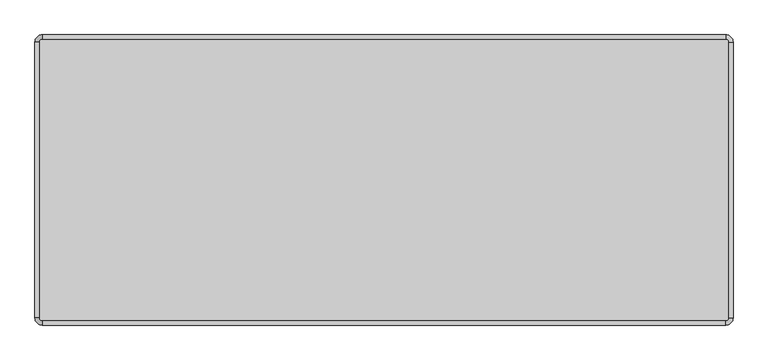
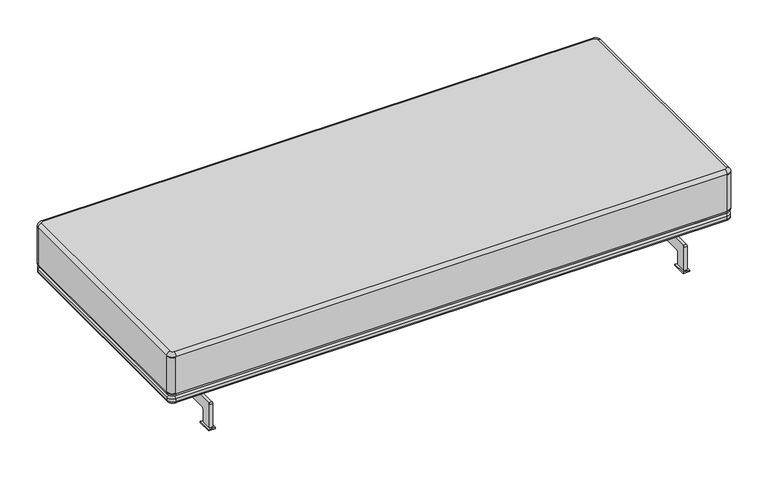
"""IFC4 building model written with IfcOpenShell, lengths in millimetres: furniture geometry."""

import ifcopenshell
import ifcopenshell.guid

model = None  # the IFC model being written
_history = None  # IfcOwnerHistory: only IFC2X3 demands one
_inside = {}  # id of a spatial element -> (the spatial element, [elements in it])
_under = {}  # id of a project, library or spatial element -> (it, [spatial elements below it])
_declared = {}  # id of a project -> (the project, [libraries it declares])
_typed = {}  # id of a type object -> (the type object, [elements of that type])
_made_of = {}  # id of a material, layer set ... -> (it, [elements and type objects made of it])


def new_model(schema):
    """Start an empty IFC model of exactly this schema.

    Asked for "IFC4X3", IfcOpenShell would pick the latest addendum, in which some entities
    have other attributes; the version numbers below select the first issue.
    IFC2X3 requires an IfcOwnerHistory on every rooted entity: one is made here for all.
    """
    global model, _history
    if schema == "IFC4X3":
        model = ifcopenshell.file(schema_version=(4, 3, 0, 0))
    else:
        model = ifcopenshell.file(schema=schema)
    _inside.clear()
    _under.clear()
    _declared.clear()
    _typed.clear()
    _made_of.clear()
    _history = None
    if model.schema == "IFC2X3":
        org = make("IfcOrganization", Name="unknown")
        user = make(
            "IfcPersonAndOrganization",
            ThePerson=make("IfcPerson", FamilyName="unknown"),
            TheOrganization=org,
        )
        app = make(
            "IfcApplication",
            ApplicationDeveloper=org,
            Version="unknown",
            ApplicationFullName="unknown",
            ApplicationIdentifier="unknown",
        )
        _history = make(
            "IfcOwnerHistory",
            OwningUser=user,
            OwningApplication=app,
            ChangeAction="ADDED",
            CreationDate=0,
        )
    return model


def make(cls, **values):
    """One entity of the class cls with the attributes given. An attribute that is None is left unset."""
    return model.create_entity(
        cls, **{name: value for name, value in values.items() if value is not None}
    )


def rooted(cls, **values):
    """An entity with a GlobalId (a new one), such as an element, a storey or a relation."""
    return make(cls, GlobalId=ifcopenshell.guid.new(), OwnerHistory=_history, **values)


def si_unit(unit_type, name, prefix=None):
    """IfcSIUnit, for example si_unit("LENGTHUNIT", "METRE", prefix="MILLI")."""
    return make("IfcSIUnit", UnitType=unit_type, Prefix=prefix, Name=name)


def assignment(units):
    """IfcUnitAssignment: the units of a project."""
    return None if units is None else make("IfcUnitAssignment", Units=units)


def point(xyz):
    """IfcCartesianPoint."""
    return None if xyz is None else make("IfcCartesianPoint", Coordinates=xyz)


def direction(xyz):
    """IfcDirection."""
    return None if xyz is None else make("IfcDirection", DirectionRatios=xyz)


def frame(location, z_axis=None, x_axis=None):
    """IfcAxis2Placement3D, a coordinate frame: its origin and axes. An axis left out is left unset."""
    return make(
        "IfcAxis2Placement3D",
        Location=point(location),
        Axis=direction(z_axis),
        RefDirection=direction(x_axis),
    )


def frame_2d(location, x_axis=None):
    """IfcAxis2Placement2D, a coordinate frame in the plane: its origin and x axis."""
    return make(
        "IfcAxis2Placement2D", Location=point(location), RefDirection=direction(x_axis)
    )


def origin():
    """The frame at (0, 0, 0) with its axes left unset."""
    return frame((0.0, 0.0, 0.0))


def origin_with_axes():
    """The frame at (0, 0, 0) with the z axis (0, 0, 1) and the x axis (1, 0, 0) written out."""
    return frame((0.0, 0.0, 0.0), z_axis=(0.0, 0.0, 1.0), x_axis=(1.0, 0.0, 0.0))


def place(relative_to, where):
    """IfcLocalPlacement: puts the frame where relative to a parent placement (None: the world)."""
    return make(
        "IfcLocalPlacement", PlacementRelTo=relative_to, RelativePlacement=where
    )


def context(
    kind, dimensions, precision=None, world=None, true_north=None, identifier=None
):
    """IfcGeometricRepresentationContext, for example the 3D "Model" context."""
    return make(
        "IfcGeometricRepresentationContext",
        ContextIdentifier=identifier,
        ContextType=kind,
        CoordinateSpaceDimension=dimensions,
        Precision=precision,
        WorldCoordinateSystem=world,
        TrueNorth=true_north,
    )


def project(units=None, contexts=None):
    """IfcProject with its units and contexts."""
    return rooted(
        "IfcProject",
        Name="project",
        RepresentationContexts=contexts,
        UnitsInContext=assignment(units),
    )


def spatial(cls, under=None, at=None, **own):
    """A site, building, storey or space (cls), placed at a placement, below another one or the project."""
    s = rooted(cls, ObjectPlacement=at, **own)
    if under is not None:
        _under.setdefault(under.id(), (under, []))[1].append(s)
    return s


def polyline(points):
    """IfcPolyline through the points."""
    return make("IfcPolyline", Points=[point(p) for p in points])


def circle_curve(where, radius):
    """IfcCircle in the frame where."""
    return make("IfcCircle", Position=where, Radius=radius)


def ellipse_curve(where, semi_axis1, semi_axis2):
    """IfcEllipse in the frame where."""
    return make(
        "IfcEllipse", Position=where, SemiAxis1=semi_axis1, SemiAxis2=semi_axis2
    )


def trimmed(basis, trim1, trim2, sense, master):
    """IfcTrimmedCurve: the piece of a basis curve between two trims."""
    return make(
        "IfcTrimmedCurve",
        BasisCurve=basis,
        Trim1=trim1,
        Trim2=trim2,
        SenseAgreement=sense,
        MasterRepresentation=master,
    )


def segment(curve, same_sense, transition):
    """IfcCompositeCurveSegment."""
    return make(
        "IfcCompositeCurveSegment",
        Transition=transition,
        SameSense=same_sense,
        ParentCurve=curve,
    )


def composite_curve(segments, self_intersect=None):
    """IfcCompositeCurve: segments joined end to end."""
    return make("IfcCompositeCurve", Segments=segments, SelfIntersect=self_intersect)


def outline(outer, holes=None, kind="AREA"):
    """IfcArbitraryClosedProfileDef: a profile drawn as a closed curve; with holes, ...WithVoids."""
    if holes is None:
        return make("IfcArbitraryClosedProfileDef", ProfileType=kind, OuterCurve=outer)
    return make(
        "IfcArbitraryProfileDefWithVoids",
        ProfileType=kind,
        OuterCurve=outer,
        InnerCurves=holes,
    )


def extrude(swept, where, along, depth):
    """IfcExtrudedAreaSolid: the profile swept, set in the frame where, extruded along a direction by depth."""
    return make(
        "IfcExtrudedAreaSolid",
        SweptArea=swept,
        Position=where,
        ExtrudedDirection=direction(along),
        Depth=depth,
    )


def shape(context_of_items, identifier, shape_type, items):
    """IfcShapeRepresentation: the items that make up one representation, for example the "Body"."""
    return make(
        "IfcShapeRepresentation",
        ContextOfItems=context_of_items,
        RepresentationIdentifier=identifier,
        RepresentationType=shape_type,
        Items=items,
    )


def source(mapping_origin, context_of_items, identifier, shape_type, items):
    """IfcRepresentationMap: a shape defined once, which mapped items show again and again."""
    return make(
        "IfcRepresentationMap",
        MappingOrigin=mapping_origin,
        MappedRepresentation=shape(context_of_items, identifier, shape_type, items),
    )


def transform(
    local_origin,
    x_axis=None,
    y_axis=None,
    z_axis=None,
    scale=None,
    scale2=None,
    scale3=None,
    uniform=True,
):
    """IfcCartesianTransformationOperator3D, or its non-uniform kind. x_axis, y_axis, z_axis: its Axis1, 2, 3."""
    if uniform:
        return make(
            "IfcCartesianTransformationOperator3D",
            Axis1=direction(x_axis),
            Axis2=direction(y_axis),
            LocalOrigin=point(local_origin),
            Scale=scale,
            Axis3=direction(z_axis),
        )
    return make(
        "IfcCartesianTransformationOperator3DnonUniform",
        Axis1=direction(x_axis),
        Axis2=direction(y_axis),
        LocalOrigin=point(local_origin),
        Scale=scale,
        Axis3=direction(z_axis),
        Scale2=scale2,
        Scale3=scale3,
    )


def mapped(mapping_source, mapping_target):
    """IfcMappedItem: shows the shape of a source again, moved by a transform."""
    return make(
        "IfcMappedItem", MappingSource=mapping_source, MappingTarget=mapping_target
    )


def made_of(thing, what):
    """Note that an element or type object is made of a material, layer set ...; save() writes the relation."""
    if what is not None:
        _made_of.setdefault(what.id(), (what, []))[1].append(thing)
    return thing


def element(
    cls,
    number,
    at=None,
    inside=None,
    cuts=None,
    type_object=None,
    material=None,
    context=None,
    identifier="Body",
    shape_type=None,
    held_by="IfcProductDefinitionShape",
    body=None,
    shapes=None,
    **own,
):
    """One element of the class cls, such as IfcWall. Its Tag is "e" and its number.

    at: its placement. inside: the storey or other place that contains it. cuts: it is an
    opening in that element (IfcRelVoidsElement). A single representation is given by context,
    identifier, shape_type and body (its items); several are given by shapes. held_by: the class
    of the entity that holds the representations. save() writes the other relations.
    """
    e = rooted(cls, Tag="e%d" % number, ObjectPlacement=at, **own)
    if body is not None:
        shapes = [shape(context, identifier, shape_type, body)]
    if shapes is not None:
        e.Representation = make(held_by, Representations=shapes)
    if inside is not None:
        _inside.setdefault(inside.id(), (inside, []))[1].append(e)
    if cuts is not None:
        rooted(
            "IfcRelVoidsElement", RelatingBuildingElement=cuts, RelatedOpeningElement=e
        )
    if type_object is not None:
        _typed.setdefault(type_object.id(), (type_object, []))[1].append(e)
    return made_of(e, material)


def aggregate(whole, parts):
    """IfcRelAggregates: a whole, such as a stair, and the parts it consists of."""
    return rooted("IfcRelAggregates", RelatingObject=whole, RelatedObjects=parts)


def save(model, path):
    """Write the relations noted so far, then the file.

    IfcRelAggregates (storeys below a building ...), IfcRelContainedInSpatialStructure (elements
    in a storey), IfcRelDefinesByType, IfcRelAssociatesMaterial and IfcRelDeclares: one each for
    every whole, place, type object, material and project.
    """
    for whole, parts in _under.values():
        aggregate(whole, parts)
    for where, things in _inside.values():
        rooted(
            "IfcRelContainedInSpatialStructure",
            RelatedElements=things,
            RelatingStructure=where,
        )
    for kind, things in _typed.values():
        rooted("IfcRelDefinesByType", RelatedObjects=things, RelatingType=kind)
    for what, things in _made_of.values():
        rooted("IfcRelAssociatesMaterial", RelatedObjects=things, RelatingMaterial=what)
    for by, libraries in _declared.values():
        rooted("IfcRelDeclares", RelatingContext=by, RelatedDefinitions=libraries)
    model.write(path)


def plane_surface(at):
    """IfcPlane: the flat surface through the origin of the frame at, square to its z axis."""
    return make("IfcPlane", Position=at)


def cylinder_surface(at, radius):
    """IfcCylindricalSurface: all points at the distance radius from the z axis of the frame at."""
    return make("IfcCylindricalSurface", Position=at, Radius=radius)


def revolved_surface(curve, axis_point, axis_direction):
    """IfcSurfaceOfRevolution: the curve turned about the line through axis_point along axis_direction."""
    return make(
        "IfcSurfaceOfRevolution",
        SweptCurve=make("IfcArbitraryOpenProfileDef", ProfileType="CURVE", Curve=curve),
        AxisPosition=make("IfcAxis1Placement", Location=point(axis_point), Axis=direction(axis_direction)),
    )


def advanced_brep(points, edges, surfaces, faces):
    """IfcAdvancedBrep: a solid bounded by faces that lie on surfaces and meet in shared edges.

    An edge is (start, end): straight between two places in points (the first is 0);
    or (start, end, curve); or (start, end, curve, False) where it runs against its curve.
    A face is (place in surfaces, loops), or (place, loops, False) where it looks against
    its surface's normal. A loop lists edges by number (the first is 1), with a minus sign
    where the edge is run from its end to its start. The first loop is the outer one.
    """
    corners = [point(p) for p in points]
    vertices = [make("IfcVertexPoint", VertexGeometry=c) for c in corners]
    made = []
    for start, end, *more in edges:
        made.append(
            make(
                "IfcEdgeCurve",
                EdgeStart=vertices[start],
                EdgeEnd=vertices[end],
                EdgeGeometry=more[0] if more else make("IfcPolyline", Points=[corners[start], corners[end]]),
                SameSense=more[1] if len(more) > 1 else True,
            )
        )
    hull = []
    for where, loops, *sense in faces:
        bounds = []
        for j, loop in enumerate(loops):
            ring = [make("IfcOrientedEdge", EdgeElement=made[abs(k) - 1], Orientation=k > 0) for k in loop]
            bounds.append(
                make(
                    "IfcFaceOuterBound" if j == 0 else "IfcFaceBound",
                    Bound=make("IfcEdgeLoop", EdgeList=ring),
                    Orientation=True,
                )
            )
        hull.append(make("IfcAdvancedFace", Bounds=bounds, FaceSurface=surfaces[where], SameSense=sense[0] if sense else True))
    return make("IfcAdvancedBrep", Outer=make("IfcClosedShell", CfsFaces=hull))


def furniture_a5a1587f(model_context):
    return source(origin(), model_context, "Body", "SolidModel", [
        advanced_brep(
        [(-1025.5715823, -407.4580796, 166.3040803), (-1018.0715823, -407.4580796, 158.8040803), (-1006.5715823, -418.9580796, 158.8040803), (-1006.5715823, -426.4580796, 166.3040803), (-1006.5715823, -426.4580796, 177.5), (-1025.5715823, -407.4580796, 177.5), (-1006.5715823, -418.9580796, 185.0), (-1018.0715823, -407.4580796, 185.0), (-1025.5715823, 406.5966271, 166.3040803), (-1018.0715823, 406.5966271, 158.8040803), (-1025.5715823, 406.5966271, 177.5), (-1018.0715823, 406.5966271, 185.0), (-1006.5715823, 425.5966271, 166.3040803), (-1006.5715823, 418.0966271, 158.8040803), (-1006.5715823, 425.5966271, 177.5), (-1006.5715823, 418.0966271, 185.0), (1005.4284177, 425.5966271, 166.3040803), (1005.4284177, 418.0966271, 158.8040803), (1005.4284177, 425.5966271, 177.5), (1005.4284177, 418.0966271, 185.0), (1024.4284177, 406.5966271, 166.3040803), (1016.9284177, 406.5966271, 158.8040803), (1024.4284177, 406.5966271, 177.5), (1016.9284177, 406.5966271, 185.0), (1024.4284177, -407.4580796, 166.3040803), (1016.9284177, -407.4580796, 158.8040803), (1024.4284177, -407.4580796, 177.5), (1016.9284177, -407.4580796, 185.0), (1005.4284177, -426.4580796, 166.3040803), (1005.4284177, -418.9580796, 158.8040803), (1005.4284177, -426.4580796, 177.5), (1005.4284177, -418.9580796, 185.0)],
        [
            (0, 1, circle_curve(frame((-1018.0715823, -407.4580796, 166.3040803), z_axis=(0.0, -1.0, 0.0), x_axis=(1.0, 0.0, 0.0)), 7.5)),
            (1, 2, circle_curve(frame((-1006.5715823, -407.4580796, 158.8040803), z_axis=(0.0, 0.0, 1.0), x_axis=(0.0, -1.0, 0.0)), 11.5)),
            (2, 3, circle_curve(frame((-1006.5715823, -418.9580796, 166.3040803), z_axis=(-1.0, 0.0, 0.0), x_axis=(0.0, 1.0, 0.0)), 7.5)),
            (3, 0, circle_curve(frame((-1006.5715823, -407.4580796, 166.3040803), z_axis=(0.0, 0.0, -1.0), x_axis=(0.0, -1.0, 0.0)), 19.0)),
            (3, 4),
            (4, 5, circle_curve(frame((-1006.5715823, -407.4580796, 177.5), z_axis=(0.0, 0.0, -1.0), x_axis=(0.0, -1.0, 0.0)), 19.0)),
            (5, 0),
            (4, 6, circle_curve(frame((-1006.5715823, -418.9580796, 177.5), z_axis=(-1.0, 0.0, 0.0), x_axis=(0.0, 1.0, 0.0)), 7.5)),
            (6, 7, circle_curve(frame((-1006.5715823, -407.4580796, 185.0), z_axis=(0.0, 0.0, -1.0), x_axis=(0.0, -1.0, 0.0)), 11.5)),
            (7, 5, circle_curve(frame((-1018.0715823, -407.4580796, 177.5), z_axis=(0.0, -1.0, 0.0), x_axis=(1.0, 0.0, 0.0)), 7.5)),
            (0, 8),
            (8, 9, circle_curve(frame((-1018.0715823, 406.5966271, 166.3040803), z_axis=(0.0, -1.0, 0.0), x_axis=(1.0, 0.0, 0.0)), 7.5)),
            (9, 1),
            (5, 10),
            (10, 8),
            (7, 11),
            (11, 10, circle_curve(frame((-1018.0715823, 406.5966271, 177.5), z_axis=(0.0, -1.0, 0.0), x_axis=(1.0, 0.0, 0.0)), 7.5)),
            (8, 12, circle_curve(frame((-1006.5715823, 406.5966271, 166.3040803), z_axis=(0.0, 0.0, -1.0), x_axis=(-1.0, 0.0, 0.0)), 19.0)),
            (12, 13, circle_curve(frame((-1006.5715823, 418.0966271, 166.3040803), z_axis=(-1.0, 0.0, 0.0), x_axis=(0.0, -1.0, 0.0)), 7.5)),
            (13, 9, circle_curve(frame((-1006.5715823, 406.5966271, 158.8040803), z_axis=(0.0, 0.0, 1.0), x_axis=(-1.0, 0.0, 0.0)), 11.5)),
            (10, 14, circle_curve(frame((-1006.5715823, 406.5966271, 177.5), z_axis=(0.0, 0.0, -1.0), x_axis=(-1.0, 0.0, 0.0)), 19.0)),
            (14, 12),
            (11, 15, circle_curve(frame((-1006.5715823, 406.5966271, 185.0), z_axis=(0.0, 0.0, -1.0), x_axis=(-1.0, 0.0, 0.0)), 11.5)),
            (15, 14, circle_curve(frame((-1006.5715823, 418.0966271, 177.5), z_axis=(-1.0, 0.0, 0.0), x_axis=(0.0, -1.0, 0.0)), 7.5)),
            (12, 16),
            (16, 17, circle_curve(frame((1005.4284177, 418.0966271, 166.3040803), z_axis=(-1.0, 0.0, 0.0), x_axis=(0.0, -1.0, 0.0)), 7.5)),
            (17, 13),
            (14, 18),
            (18, 16),
            (15, 19),
            (19, 18, circle_curve(frame((1005.4284177, 418.0966271, 177.5), z_axis=(-1.0, 0.0, 0.0), x_axis=(0.0, -1.0, 0.0)), 7.5)),
            (16, 20, circle_curve(frame((1005.4284177, 406.5966271, 166.3040803), z_axis=(0.0, 0.0, -1.0), x_axis=(0.0, 1.0, 0.0)), 19.0)),
            (20, 21, circle_curve(frame((1016.9284177, 406.5966271, 166.3040803), z_axis=(0.0, 1.0, 0.0), x_axis=(-1.0, 0.0, 0.0)), 7.5)),
            (21, 17, circle_curve(frame((1005.4284177, 406.5966271, 158.8040803), z_axis=(0.0, 0.0, 1.0), x_axis=(0.0, 1.0, 0.0)), 11.5)),
            (18, 22, circle_curve(frame((1005.4284177, 406.5966271, 177.5), z_axis=(0.0, 0.0, -1.0), x_axis=(0.0, 1.0, 0.0)), 19.0)),
            (22, 20),
            (19, 23, circle_curve(frame((1005.4284177, 406.5966271, 185.0), z_axis=(0.0, 0.0, -1.0), x_axis=(0.0, 1.0, 0.0)), 11.5)),
            (23, 22, circle_curve(frame((1016.9284177, 406.5966271, 177.5), z_axis=(0.0, 1.0, 0.0), x_axis=(-1.0, 0.0, 0.0)), 7.5)),
            (20, 24),
            (24, 25, circle_curve(frame((1016.9284177, -407.4580796, 166.3040803), z_axis=(0.0, 1.0, 0.0), x_axis=(-1.0, 0.0, 0.0)), 7.5)),
            (25, 21),
            (22, 26),
            (26, 24),
            (23, 27),
            (27, 26, circle_curve(frame((1016.9284177, -407.4580796, 177.5), z_axis=(0.0, 1.0, 0.0), x_axis=(-1.0, 0.0, 0.0)), 7.5)),
            (24, 28, circle_curve(frame((1005.4284177, -407.4580796, 166.3040803), z_axis=(0.0, 0.0, -1.0), x_axis=(1.0, 0.0, 0.0)), 19.0)),
            (28, 29, circle_curve(frame((1005.4284177, -418.9580796, 166.3040803), z_axis=(1.0, 0.0, 0.0), x_axis=(0.0, 1.0, 0.0)), 7.5)),
            (29, 25, circle_curve(frame((1005.4284177, -407.4580796, 158.8040803), z_axis=(0.0, 0.0, 1.0), x_axis=(1.0, 0.0, 0.0)), 11.5)),
            (26, 30, circle_curve(frame((1005.4284177, -407.4580796, 177.5), z_axis=(0.0, 0.0, -1.0), x_axis=(1.0, 0.0, 0.0)), 19.0)),
            (30, 28),
            (27, 31, circle_curve(frame((1005.4284177, -407.4580796, 185.0), z_axis=(0.0, 0.0, -1.0), x_axis=(1.0, 0.0, 0.0)), 11.5)),
            (31, 30, circle_curve(frame((1005.4284177, -418.9580796, 177.5), z_axis=(1.0, 0.0, 0.0), x_axis=(0.0, 1.0, 0.0)), 7.5)),
            (6, 31),
            (29, 2),
            (28, 3),
            (30, 4),
        ],
        [
            revolved_surface(trimmed(ellipse_curve(frame((-1006.5715823, -418.9580796, 166.3040803), z_axis=(-1.0, 0.0, 0.0), x_axis=(0.0, 1.0, 0.0)), 7.5, 7.5), [point((-1006.5715823, -418.9580796, 158.8040803))], [point((-1006.5715823, -426.4580796, 166.3040803))], True, "CARTESIAN"), (-1006.5715823, -407.4580796, 185.0), (0.0, 0.0, 1.0)),
            cylinder_surface(frame((-1006.5715823, -407.4580796, 185.0), z_axis=(0.0, 0.0, 1.0), x_axis=(0.0, -1.0, 0.0)), 19.0),
            revolved_surface(trimmed(ellipse_curve(frame((-1006.5715823, -418.9580796, 177.5), z_axis=(-1.0, 0.0, 0.0), x_axis=(0.0, 1.0, 0.0)), 7.5, 7.5), [point((-1006.5715823, -426.4580796, 177.5))], [point((-1006.5715823, -418.9580796, 185.0))], True, "CARTESIAN"), (-1006.5715823, -407.4580796, 185.0), (0.0, 0.0, 1.0)),
            cylinder_surface(frame((-1018.0715823, -407.4580796, 166.3040803), z_axis=(0.0, -1.0, 0.0), x_axis=(1.0, 0.0, 0.0)), 7.5),
            plane_surface(frame((-1025.5715823, -407.4580796, 166.3040803), z_axis=(-1.0, 0.0, 0.0), x_axis=(0.0, 1.0, 0.0))),
            cylinder_surface(frame((-1018.0715823, -407.4580796, 177.5), z_axis=(0.0, -1.0, 0.0), x_axis=(1.0, 0.0, 0.0)), 7.5),
            revolved_surface(trimmed(ellipse_curve(frame((-1018.0715823, 406.5966271, 166.3040803), z_axis=(0.0, 1.0, 0.0), x_axis=(1.0, 0.0, 0.0)), 7.5, 7.5), [point((-1018.0715823, 406.5966271, 158.8040803))], [point((-1025.5715823, 406.5966271, 166.3040803))], True, "CARTESIAN"), (-1006.5715823, 406.5966271, 185.0), (0.0, 0.0, 1.0)),
            cylinder_surface(frame((-1006.5715823, 406.5966271, 185.0), z_axis=(0.0, 0.0, 1.0), x_axis=(-1.0, 0.0, 0.0)), 19.0),
            revolved_surface(trimmed(ellipse_curve(frame((-1018.0715823, 406.5966271, 177.5), z_axis=(0.0, 1.0, 0.0), x_axis=(1.0, 0.0, 0.0)), 7.5, 7.5), [point((-1025.5715823, 406.5966271, 177.5))], [point((-1018.0715823, 406.5966271, 185.0))], True, "CARTESIAN"), (-1006.5715823, 406.5966271, 185.0), (0.0, 0.0, 1.0)),
            cylinder_surface(frame((-1006.5715823, 418.0966271, 166.3040803), z_axis=(-1.0, 0.0, 0.0), x_axis=(0.0, -1.0, 0.0)), 7.5),
            plane_surface(frame((-1006.5715823, 425.5966271, 166.3040803), z_axis=(0.0, 1.0, 0.0), x_axis=(1.0, 0.0, 0.0))),
            cylinder_surface(frame((-1006.5715823, 418.0966271, 177.5), z_axis=(-1.0, 0.0, 0.0), x_axis=(0.0, -1.0, 0.0)), 7.5),
            revolved_surface(trimmed(ellipse_curve(frame((1005.4284177, 418.0966271, 166.3040803), z_axis=(1.0, 0.0, 0.0), x_axis=(0.0, -1.0, 0.0)), 7.5, 7.5), [point((1005.4284177, 418.0966271, 158.8040803))], [point((1005.4284177, 425.5966271, 166.3040803))], True, "CARTESIAN"), (1005.4284177, 406.5966271, 185.0), (0.0, 0.0, 1.0)),
            cylinder_surface(frame((1005.4284177, 406.5966271, 185.0), z_axis=(0.0, 0.0, 1.0), x_axis=(0.0, 1.0, 0.0)), 19.0),
            revolved_surface(trimmed(ellipse_curve(frame((1005.4284177, 418.0966271, 177.5), z_axis=(1.0, 0.0, 0.0), x_axis=(0.0, -1.0, 0.0)), 7.5, 7.5), [point((1005.4284177, 425.5966271, 177.5))], [point((1005.4284177, 418.0966271, 185.0))], True, "CARTESIAN"), (1005.4284177, 406.5966271, 185.0), (0.0, 0.0, 1.0)),
            cylinder_surface(frame((1016.9284177, 406.5966271, 166.3040803), z_axis=(0.0, 1.0, 0.0), x_axis=(-1.0, 0.0, 0.0)), 7.5),
            plane_surface(frame((1024.4284177, 406.5966271, 166.3040803), z_axis=(1.0, 0.0, 0.0), x_axis=(0.0, -1.0, 0.0))),
            cylinder_surface(frame((1016.9284177, 406.5966271, 177.5), z_axis=(0.0, 1.0, 0.0), x_axis=(-1.0, 0.0, 0.0)), 7.5),
            revolved_surface(trimmed(ellipse_curve(frame((1016.9284177, -407.4580796, 166.3040803), z_axis=(0.0, -1.0, 0.0), x_axis=(-1.0, 0.0, 0.0)), 7.5, 7.5), [point((1016.9284177, -407.4580796, 158.8040803))], [point((1024.4284177, -407.4580796, 166.3040803))], True, "CARTESIAN"), (1005.4284177, -407.4580796, 185.0), (0.0, 0.0, 1.0)),
            cylinder_surface(frame((1005.4284177, -407.4580796, 185.0), z_axis=(0.0, 0.0, 1.0), x_axis=(1.0, 0.0, 0.0)), 19.0),
            revolved_surface(trimmed(ellipse_curve(frame((1016.9284177, -407.4580796, 177.5), z_axis=(0.0, -1.0, 0.0), x_axis=(-1.0, 0.0, 0.0)), 7.5, 7.5), [point((1024.4284177, -407.4580796, 177.5))], [point((1016.9284177, -407.4580796, 185.0))], True, "CARTESIAN"), (1005.4284177, -407.4580796, 185.0), (0.0, 0.0, 1.0)),
            plane_surface(frame((1005.4284177, -418.9580796, 185.0), z_axis=(0.0, 0.0, 1.0), x_axis=(-1.0, 0.0, 0.0))),
            plane_surface(frame((1005.4284177, -411.4580796, 158.8040803), z_axis=(0.0, 0.0, -1.0), x_axis=(-1.0, 0.0, 0.0))),
            cylinder_surface(frame((1005.4284177, -418.9580796, 166.3040803), z_axis=(1.0, 0.0, 0.0), x_axis=(0.0, 1.0, 0.0)), 7.5),
            plane_surface(frame((1005.4284177, -426.4580796, 166.3040803), z_axis=(0.0, -1.0, 0.0), x_axis=(-1.0, 0.0, 0.0))),
            cylinder_surface(frame((1005.4284177, -418.9580796, 177.5), z_axis=(1.0, 0.0, 0.0), x_axis=(0.0, 1.0, 0.0)), 7.5),
        ],
        [
            (0, [[1, 2, 3, 4]]),
            (1, [[5, 6, 7, -4]]),
            (2, [[8, 9, 10, -6]]),
            (3, [[11, 12, 13, -1]]),
            (4, [[14, 15, -11, -7]]),
            (5, [[16, 17, -14, -10]]),
            (6, [[18, 19, 20, -12]]),
            (7, [[21, 22, -18, -15]]),
            (8, [[23, 24, -21, -17]]),
            (9, [[25, 26, 27, -19]]),
            (10, [[28, 29, -25, -22]]),
            (11, [[30, 31, -28, -24]]),
            (12, [[32, 33, 34, -26]]),
            (13, [[35, 36, -32, -29]]),
            (14, [[37, 38, -35, -31]]),
            (15, [[39, 40, 41, -33]]),
            (16, [[42, 43, -39, -36]]),
            (17, [[44, 45, -42, -38]]),
            (18, [[46, 47, 48, -40]]),
            (19, [[49, 50, -46, -43]]),
            (20, [[51, 52, -49, -45]]),
            (21, [[53, -51, -44, -37, -30, -23, -16, -9]]),
            (22, [[-13, -20, -27, -34, -41, -48, 54, -2]]),
            (23, [[-54, -47, 55, -3]]),
            (24, [[-55, -50, 56, -5]]),
            (25, [[-56, -52, -53, -8]]),
        ],
    ),
        advanced_brep(
        [(-1026.6196264, 405.5966271, 336.7190305), (-1005.5715823, 426.6446712, 336.7190305), (-1005.5715823, 426.6446712, 199.9545565), (-1026.6196264, 405.5966271, 199.9545565), (-1005.5715823, 426.6446712, 339.3371343), (1004.4284177, 426.6446712, 339.3371343), (1004.4284177, 426.6446712, 336.7190305), (1004.4284177, 426.6446712, 199.9545565), (1004.4284177, 426.6446712, 197.3364528), (-1005.5715823, 426.6446712, 197.3364528), (1025.4764617, 405.5966271, 336.7190305), (1025.4764617, 405.5966271, 199.9545565), (1025.4764617, 405.5966271, 339.3371343), (1025.4764617, -406.4580796, 339.3371343), (1025.4764617, -406.4580796, 336.7190305), (1025.4764617, -406.4580796, 199.9545565), (1025.4764617, -406.4580796, 197.3364528), (1025.4764617, 405.5966271, 197.3364528), (1004.4284177, -427.5061237, 336.7190305), (1004.4284177, -427.5061237, 199.9545565), (1004.4284177, -427.5061237, 339.3371343), (-1005.5715823, -427.5061237, 339.3371343), (-1005.5715823, -427.5061237, 336.7190305), (-1005.5715823, -427.5061237, 199.9545565), (-1005.5715823, -427.5061237, 197.3364528), (1004.4284177, -427.5061237, 197.3364528), (-1026.6196264, -406.4580796, 336.7190305), (-1026.6196264, -406.4580796, 199.9545565), (-1026.6196264, 405.5966271, 197.3364528), (-1026.6196264, -406.4580796, 197.3364528), (-1026.6196264, -406.4580796, 339.3371343), (-1026.6196264, 405.5966271, 339.3371343), (-1005.5715823, -415.1696709, 351.6735871), (-1014.2831736, -406.4580796, 351.6735871), (-1014.2831736, 405.5966271, 351.6735871), (-1005.5715823, 414.3082184, 351.6735871), (1004.4284177, 414.3082184, 351.6735871), (1013.140009, 405.5966271, 351.6735871), (1013.140009, -406.4580796, 351.6735871), (1004.4284177, -415.1696709, 351.6735871), (-1014.2831736, -406.4580796, 185.0), (-1014.2831736, 405.5966271, 185.0), (-1005.5715823, 414.3082184, 185.0), (1004.4284177, 414.3082184, 185.0), (1013.140009, 405.5966271, 185.0), (1013.140009, -406.4580796, 185.0), (1004.4284177, -415.1696709, 185.0), (-1005.5715823, -415.1696709, 185.0)],
        [
            (0, 1, circle_curve(frame((-1005.5715823, 405.5966271, 336.7190305), z_axis=(0.0, 0.0, -1.0), x_axis=(-1.0, 0.0, 0.0)), 21.0480441)),
            (1, 2),
            (2, 3, circle_curve(frame((-1005.5715823, 405.5966271, 199.9545565), z_axis=(0.0, 0.0, 1.0), x_axis=(-1.0, 0.0, 0.0)), 21.0480441)),
            (3, 0),
            (1, 4),
            (4, 5),
            (5, 6),
            (6, 7),
            (7, 8),
            (8, 9),
            (9, 2),
            (6, 10, circle_curve(frame((1004.4284177, 405.5966271, 336.7190305), z_axis=(0.0, 0.0, -1.0), x_axis=(0.0, 1.0, 0.0)), 21.0480441)),
            (10, 11),
            (11, 7, circle_curve(frame((1004.4284177, 405.5966271, 199.9545565), z_axis=(0.0, 0.0, 1.0), x_axis=(0.0, 1.0, 0.0)), 21.0480441)),
            (10, 12),
            (12, 13),
            (13, 14),
            (14, 15),
            (15, 16),
            (16, 17),
            (17, 11),
            (14, 18, circle_curve(frame((1004.4284177, -406.4580796, 336.7190305), z_axis=(0.0, 0.0, -1.0), x_axis=(1.0, 0.0, 0.0)), 21.0480441)),
            (18, 19),
            (19, 15, circle_curve(frame((1004.4284177, -406.4580796, 199.9545565), z_axis=(0.0, 0.0, 1.0), x_axis=(1.0, 0.0, 0.0)), 21.0480441)),
            (18, 20),
            (20, 21),
            (21, 22),
            (22, 23),
            (23, 24),
            (24, 25),
            (25, 19),
            (22, 26, circle_curve(frame((-1005.5715823, -406.4580796, 336.7190305), z_axis=(0.0, 0.0, -1.0), x_axis=(0.0, -1.0, 0.0)), 21.0480441)),
            (26, 27),
            (27, 23, circle_curve(frame((-1005.5715823, -406.4580796, 199.9545565), z_axis=(0.0, 0.0, 1.0), x_axis=(0.0, -1.0, 0.0)), 21.0480441)),
            (3, 28),
            (28, 29),
            (29, 27),
            (26, 30),
            (30, 31),
            (31, 0),
            (21, 30, circle_curve(frame((-1005.5715823, -406.4580796, 339.3371343), z_axis=(0.0, 0.0, -1.0), x_axis=(0.0, -1.0, 0.0)), 21.0480441)),
            (21, 32, circle_curve(frame((-1005.5715823, -415.1696709, 339.3371343), z_axis=(-1.0, 0.0, 0.0), x_axis=(0.0, 1.0, 0.0)), 12.3364528)),
            (32, 33, circle_curve(frame((-1005.5715823, -406.4580796, 351.6735871), z_axis=(0.0, 0.0, -1.0), x_axis=(0.0, -1.0, 0.0)), 8.7115913)),
            (33, 30, circle_curve(frame((-1014.2831736, -406.4580796, 339.3371343), z_axis=(0.0, -1.0, 0.0), x_axis=(1.0, 0.0, 0.0)), 12.3364528)),
            (33, 34),
            (34, 31, circle_curve(frame((-1014.2831736, 405.5966271, 339.3371343), z_axis=(0.0, -1.0, 0.0), x_axis=(1.0, 0.0, 0.0)), 12.3364528)),
            (31, 4, circle_curve(frame((-1005.5715823, 405.5966271, 339.3371343), z_axis=(0.0, 0.0, -1.0), x_axis=(-1.0, 0.0, 0.0)), 21.0480441)),
            (34, 35, circle_curve(frame((-1005.5715823, 405.5966271, 351.6735871), z_axis=(0.0, 0.0, -1.0), x_axis=(-1.0, 0.0, 0.0)), 8.7115913)),
            (35, 4, circle_curve(frame((-1005.5715823, 414.3082184, 339.3371343), z_axis=(-1.0, 0.0, 0.0), x_axis=(0.0, -1.0, 0.0)), 12.3364528)),
            (35, 36),
            (36, 5, circle_curve(frame((1004.4284177, 414.3082184, 339.3371343), z_axis=(-1.0, 0.0, 0.0), x_axis=(0.0, -1.0, 0.0)), 12.3364528)),
            (5, 12, circle_curve(frame((1004.4284177, 405.5966271, 339.3371343), z_axis=(0.0, 0.0, -1.0), x_axis=(0.0, 1.0, 0.0)), 21.0480441)),
            (36, 37, circle_curve(frame((1004.4284177, 405.5966271, 351.6735871), z_axis=(0.0, 0.0, -1.0), x_axis=(0.0, 1.0, 0.0)), 8.7115913)),
            (37, 12, circle_curve(frame((1013.140009, 405.5966271, 339.3371343), z_axis=(0.0, 1.0, 0.0), x_axis=(-1.0, 0.0, 0.0)), 12.3364528)),
            (37, 38),
            (38, 13, circle_curve(frame((1013.140009, -406.4580796, 339.3371343), z_axis=(0.0, 1.0, 0.0), x_axis=(-1.0, 0.0, 0.0)), 12.3364528)),
            (13, 20, circle_curve(frame((1004.4284177, -406.4580796, 339.3371343), z_axis=(0.0, 0.0, -1.0), x_axis=(1.0, 0.0, 0.0)), 21.0480441)),
            (38, 39, circle_curve(frame((1004.4284177, -406.4580796, 351.6735871), z_axis=(0.0, 0.0, -1.0), x_axis=(1.0, 0.0, 0.0)), 8.7115913)),
            (39, 20, circle_curve(frame((1004.4284177, -415.1696709, 339.3371343), z_axis=(1.0, 0.0, 0.0), x_axis=(0.0, 1.0, 0.0)), 12.3364528)),
            (39, 32),
            (40, 41),
            (41, 42, circle_curve(frame((-1005.5715823, 405.5966271, 185.0), z_axis=(0.0, 0.0, -1.0), x_axis=(-1.0, 0.0, 0.0)), 8.7115913)),
            (42, 43),
            (43, 44, circle_curve(frame((1004.4284177, 405.5966271, 185.0), z_axis=(0.0, 0.0, -1.0), x_axis=(0.0, 1.0, 0.0)), 8.7115913)),
            (44, 45),
            (45, 46, circle_curve(frame((1004.4284177, -406.4580796, 185.0), z_axis=(0.0, 0.0, -1.0), x_axis=(1.0, 0.0, 0.0)), 8.7115913)),
            (46, 47),
            (47, 40, circle_curve(frame((-1005.5715823, -406.4580796, 185.0), z_axis=(0.0, 0.0, -1.0), x_axis=(0.0, -1.0, 0.0)), 8.7115913)),
            (29, 24, circle_curve(frame((-1005.5715823, -406.4580796, 197.3364528), z_axis=(0.0, 0.0, 1.0), x_axis=(0.0, -1.0, 0.0)), 21.0480441)),
            (29, 40, circle_curve(frame((-1014.2831736, -406.4580796, 197.3364528), z_axis=(0.0, -1.0, 0.0), x_axis=(1.0, 0.0, 0.0)), 12.3364528)),
            (47, 24, circle_curve(frame((-1005.5715823, -415.1696709, 197.3364528), z_axis=(-1.0, 0.0, 0.0), x_axis=(0.0, 1.0, 0.0)), 12.3364528)),
            (28, 41, circle_curve(frame((-1014.2831736, 405.5966271, 197.3364528), z_axis=(0.0, -1.0, 0.0), x_axis=(1.0, 0.0, 0.0)), 12.3364528)),
            (9, 28, circle_curve(frame((-1005.5715823, 405.5966271, 197.3364528), z_axis=(0.0, 0.0, 1.0), x_axis=(-1.0, 0.0, 0.0)), 21.0480441)),
            (9, 42, circle_curve(frame((-1005.5715823, 414.3082184, 197.3364528), z_axis=(-1.0, 0.0, 0.0), x_axis=(0.0, -1.0, 0.0)), 12.3364528)),
            (8, 43, circle_curve(frame((1004.4284177, 414.3082184, 197.3364528), z_axis=(-1.0, 0.0, 0.0), x_axis=(0.0, -1.0, 0.0)), 12.3364528)),
            (17, 8, circle_curve(frame((1004.4284177, 405.5966271, 197.3364528), z_axis=(0.0, 0.0, 1.0), x_axis=(0.0, 1.0, 0.0)), 21.0480441)),
            (17, 44, circle_curve(frame((1013.140009, 405.5966271, 197.3364528), z_axis=(0.0, 1.0, 0.0), x_axis=(-1.0, 0.0, 0.0)), 12.3364528)),
            (16, 45, circle_curve(frame((1013.140009, -406.4580796, 197.3364528), z_axis=(0.0, 1.0, 0.0), x_axis=(-1.0, 0.0, 0.0)), 12.3364528)),
            (25, 16, circle_curve(frame((1004.4284177, -406.4580796, 197.3364528), z_axis=(0.0, 0.0, 1.0), x_axis=(1.0, 0.0, 0.0)), 21.0480441)),
            (25, 46, circle_curve(frame((1004.4284177, -415.1696709, 197.3364528), z_axis=(1.0, 0.0, 0.0), x_axis=(0.0, 1.0, 0.0)), 12.3364528)),
        ],
        [
            cylinder_surface(frame((-1005.5715823, 405.5966271, 199.9545565), z_axis=(0.0, 0.0, 1.0), x_axis=(-1.0, 0.0, 0.0)), 21.0480441),
            plane_surface(frame((-1005.5715823, 426.6446712, 336.7190305), z_axis=(0.0, 1.0, 0.0), x_axis=(0.0, 0.0, -1.0))),
            cylinder_surface(frame((1004.4284177, 405.5966271, 199.9545565), z_axis=(0.0, 0.0, 1.0), x_axis=(0.0, 1.0, 0.0)), 21.0480441),
            plane_surface(frame((1025.4764617, 405.5966271, 336.7190305), z_axis=(1.0, 0.0, 0.0), x_axis=(0.0, 0.0, -1.0))),
            cylinder_surface(frame((1004.4284177, -406.4580796, 199.9545565), z_axis=(0.0, 0.0, 1.0), x_axis=(1.0, 0.0, 0.0)), 21.0480441),
            plane_surface(frame((1004.4284177, -427.5061237, 336.7190305), z_axis=(0.0, -1.0, 0.0), x_axis=(0.0, 0.0, -1.0))),
            cylinder_surface(frame((-1005.5715823, -406.4580796, 199.9545565), z_axis=(0.0, 0.0, 1.0), x_axis=(0.0, -1.0, 0.0)), 21.0480441),
            plane_surface(frame((-1026.6196264, -406.4580796, 336.7190305), z_axis=(-1.0, 0.0, 0.0), x_axis=(0.0, 0.0, -1.0))),
            cylinder_surface(frame((-1005.5715823, -406.4580796, 351.6735871), z_axis=(0.0, 0.0, 1.0), x_axis=(0.0, -1.0, 0.0)), 21.0480441),
            revolved_surface(trimmed(ellipse_curve(frame((-1005.5715823, -415.1696709, 339.3371343), z_axis=(-1.0, 0.0, 0.0), x_axis=(0.0, 1.0, 0.0)), 12.3364528, 12.3364528), [point((-1005.5715823, -427.5061237, 339.3371343))], [point((-1005.5715823, -415.1696709, 351.6735871))], True, "CARTESIAN"), (-1005.5715823, -406.4580796, 351.6735871), (0.0, 0.0, 1.0)),
            cylinder_surface(frame((-1014.2831736, -406.4580796, 339.3371343), z_axis=(0.0, -1.0, 0.0), x_axis=(1.0, 0.0, 0.0)), 12.3364528),
            cylinder_surface(frame((-1005.5715823, 405.5966271, 351.6735871), z_axis=(0.0, 0.0, 1.0), x_axis=(-1.0, 0.0, 0.0)), 21.0480441),
            revolved_surface(trimmed(ellipse_curve(frame((-1014.2831736, 405.5966271, 339.3371343), z_axis=(0.0, 1.0, 0.0), x_axis=(1.0, 0.0, 0.0)), 12.3364528, 12.3364528), [point((-1026.6196264, 405.5966271, 339.3371343))], [point((-1014.2831736, 405.5966271, 351.6735871))], True, "CARTESIAN"), (-1005.5715823, 405.5966271, 351.6735871), (0.0, 0.0, 1.0)),
            cylinder_surface(frame((-1005.5715823, 414.3082184, 339.3371343), z_axis=(-1.0, 0.0, 0.0), x_axis=(0.0, -1.0, 0.0)), 12.3364528),
            cylinder_surface(frame((1004.4284177, 405.5966271, 351.6735871), z_axis=(0.0, 0.0, 1.0), x_axis=(0.0, 1.0, 0.0)), 21.0480441),
            revolved_surface(trimmed(ellipse_curve(frame((1004.4284177, 414.3082184, 339.3371343), z_axis=(1.0, 0.0, 0.0), x_axis=(0.0, -1.0, 0.0)), 12.3364528, 12.3364528), [point((1004.4284177, 426.6446712, 339.3371343))], [point((1004.4284177, 414.3082184, 351.6735871))], True, "CARTESIAN"), (1004.4284177, 405.5966271, 351.6735871), (0.0, 0.0, 1.0)),
            cylinder_surface(frame((1013.140009, 405.5966271, 339.3371343), z_axis=(0.0, 1.0, 0.0), x_axis=(-1.0, 0.0, 0.0)), 12.3364528),
            cylinder_surface(frame((1004.4284177, -406.4580796, 351.6735871), z_axis=(0.0, 0.0, 1.0), x_axis=(1.0, 0.0, 0.0)), 21.0480441),
            revolved_surface(trimmed(ellipse_curve(frame((1013.140009, -406.4580796, 339.3371343), z_axis=(0.0, -1.0, 0.0), x_axis=(-1.0, 0.0, 0.0)), 12.3364528, 12.3364528), [point((1025.4764617, -406.4580796, 339.3371343))], [point((1013.140009, -406.4580796, 351.6735871))], True, "CARTESIAN"), (1004.4284177, -406.4580796, 351.6735871), (0.0, 0.0, 1.0)),
            cylinder_surface(frame((1004.4284177, -415.1696709, 339.3371343), z_axis=(1.0, 0.0, 0.0), x_axis=(0.0, 1.0, 0.0)), 12.3364528),
            plane_surface(frame((1004.4284177, -415.1696709, 351.6735871), z_axis=(0.0, 0.0, 1.0), x_axis=(-1.0, 0.0, 0.0))),
            plane_surface(frame((1004.4284177, -411.4580796, 185.0), z_axis=(0.0, 0.0, -1.0), x_axis=(1.0, 0.0, 0.0))),
            cylinder_surface(frame((-1005.5715823, -406.4580796, 185.0), z_axis=(0.0, 0.0, 1.0), x_axis=(0.0, -1.0, 0.0)), 21.0480441),
            revolved_surface(trimmed(ellipse_curve(frame((-1005.5715823, -415.1696709, 197.3364528), z_axis=(-1.0, 0.0, 0.0), x_axis=(0.0, 1.0, 0.0)), 12.3364528, 12.3364528), [point((-1005.5715823, -415.1696709, 185.0))], [point((-1005.5715823, -427.5061237, 197.3364528))], True, "CARTESIAN"), (-1005.5715823, -406.4580796, 185.0), (0.0, 0.0, 1.0)),
            cylinder_surface(frame((-1014.2831736, -406.4580796, 197.3364528), z_axis=(0.0, -1.0, 0.0), x_axis=(1.0, 0.0, 0.0)), 12.3364528),
            cylinder_surface(frame((-1005.5715823, 405.5966271, 185.0), z_axis=(0.0, 0.0, 1.0), x_axis=(-1.0, 0.0, 0.0)), 21.0480441),
            revolved_surface(trimmed(ellipse_curve(frame((-1014.2831736, 405.5966271, 197.3364528), z_axis=(0.0, 1.0, 0.0), x_axis=(1.0, 0.0, 0.0)), 12.3364528, 12.3364528), [point((-1014.2831736, 405.5966271, 185.0))], [point((-1026.6196264, 405.5966271, 197.3364528))], True, "CARTESIAN"), (-1005.5715823, 405.5966271, 185.0), (0.0, 0.0, 1.0)),
            cylinder_surface(frame((-1005.5715823, 414.3082184, 197.3364528), z_axis=(-1.0, 0.0, 0.0), x_axis=(0.0, -1.0, 0.0)), 12.3364528),
            cylinder_surface(frame((1004.4284177, 405.5966271, 185.0), z_axis=(0.0, 0.0, 1.0), x_axis=(0.0, 1.0, 0.0)), 21.0480441),
            revolved_surface(trimmed(ellipse_curve(frame((1004.4284177, 414.3082184, 197.3364528), z_axis=(1.0, 0.0, 0.0), x_axis=(0.0, -1.0, 0.0)), 12.3364528, 12.3364528), [point((1004.4284177, 414.3082184, 185.0))], [point((1004.4284177, 426.6446712, 197.3364528))], True, "CARTESIAN"), (1004.4284177, 405.5966271, 185.0), (0.0, 0.0, 1.0)),
            cylinder_surface(frame((1013.140009, 405.5966271, 197.3364528), z_axis=(0.0, 1.0, 0.0), x_axis=(-1.0, 0.0, 0.0)), 12.3364528),
            cylinder_surface(frame((1004.4284177, -406.4580796, 185.0), z_axis=(0.0, 0.0, 1.0), x_axis=(1.0, 0.0, 0.0)), 21.0480441),
            revolved_surface(trimmed(ellipse_curve(frame((1013.140009, -406.4580796, 197.3364528), z_axis=(0.0, -1.0, 0.0), x_axis=(-1.0, 0.0, 0.0)), 12.3364528, 12.3364528), [point((1013.140009, -406.4580796, 185.0))], [point((1025.4764617, -406.4580796, 197.3364528))], True, "CARTESIAN"), (1004.4284177, -406.4580796, 185.0), (0.0, 0.0, 1.0)),
            cylinder_surface(frame((1004.4284177, -415.1696709, 197.3364528), z_axis=(1.0, 0.0, 0.0), x_axis=(0.0, 1.0, 0.0)), 12.3364528),
        ],
        [
            (0, [[1, 2, 3, 4]]),
            (1, [[5, 6, 7, 8, 9, 10, 11, -2]]),
            (2, [[12, 13, 14, -8]]),
            (3, [[15, 16, 17, 18, 19, 20, 21, -13]]),
            (4, [[22, 23, 24, -18]]),
            (5, [[25, 26, 27, 28, 29, 30, 31, -23]]),
            (6, [[32, 33, 34, -28]]),
            (7, [[35, 36, 37, -33, 38, 39, 40, -4]]),
            (8, [[-38, -32, -27, 41]]),
            (9, [[42, 43, 44, -41]]),
            (10, [[45, 46, -39, -44]]),
            (11, [[47, -5, -1, -40]]),
            (12, [[48, 49, -47, -46]]),
            (13, [[50, 51, -6, -49]]),
            (14, [[52, -15, -12, -7]]),
            (15, [[53, 54, -52, -51]]),
            (16, [[55, 56, -16, -54]]),
            (17, [[57, -25, -22, -17]]),
            (18, [[58, 59, -57, -56]]),
            (19, [[-26, -59, 60, -42]]),
            (20, [[-60, -58, -55, -53, -50, -48, -45, -43]]),
            (21, [[61, 62, 63, 64, 65, 66, 67, 68]]),
            (22, [[-34, -37, 69, -29]]),
            (23, [[70, -68, 71, -69]]),
            (24, [[-36, 72, -61, -70]]),
            (25, [[-3, -11, 73, -35]]),
            (26, [[-73, 74, -62, -72]]),
            (27, [[-10, 75, -63, -74]]),
            (28, [[-14, -21, 76, -9]]),
            (29, [[-76, 77, -64, -75]]),
            (30, [[-20, 78, -65, -77]]),
            (31, [[-24, -31, 79, -19]]),
            (32, [[-79, 80, -66, -78]]),
            (33, [[-67, -80, -30, -71]]),
        ],
    ),
        extrude(outline(polyline([(-877.0, 410.6375084), (-853.0000245, 410.6375084), (-853.0000245, 358.6460211), (-877.0, 358.6460211), (-877.0, 410.6375084)])), origin_with_axes(), (0.0, 0.0, 1.0), 5.0),
        extrude(outline(polyline([(-877.0, -411.3488957), (-877.0, -359.3574084), (-853.0000245, -359.3574084), (-853.0000245, -411.3488957), (-877.0, -411.3488957)])), origin_with_axes(), (0.0, 0.0, 1.0), 5.0),
        extrude(outline(composite_curve([segment(trimmed(circle_curve(frame_2d((-260.3560367, 104.9874953)), 5.0), [point((-260.3560367, 99.9874953))], [point((-255.3560367, 104.9874953))], True, "CARTESIAN"), True, "CONTINUOUS"), segment(polyline([(-255.3560367, 104.9874953), (-255.3560367, 158.854696), (254.6412199, 158.854696), (254.6412199, 104.9874953)]), True, "CONTINUOUS"), segment(trimmed(circle_curve(frame_2d((259.6412199, 104.9874953)), 5.0), [point((254.6412199, 104.9874953))], [point((259.6412199, 99.9874953))], True, "CARTESIAN"), True, "CONTINUOUS"), segment(polyline([(259.6412199, 99.9874953), (399.6344633, 99.9874953)]), True, "CONTINUOUS"), segment(trimmed(circle_curve(frame_2d((399.6344633, 94.9874953)), 5.0), [point((399.6344633, 99.9874953))], [point((404.6344633, 94.9874953))], False, "CARTESIAN"), True, "CONTINUOUS"), segment(polyline([(404.6344633, 94.9874953), (404.6344633, 5.0)]), True, "CONTINUOUS"), segment(trimmed(circle_curve(frame_2d((399.6344633, 5.0)), 5.0), [point((404.6344633, 5.0))], [point((399.6344633, 0.0))], False, "CARTESIAN"), True, "CONTINUOUS"), segment(polyline([(399.6344633, 0.0), (369.6473511, 0.0)]), True, "CONTINUOUS"), segment(trimmed(circle_curve(frame_2d((369.6473511, 5.0)), 5.0), [point((369.6473511, 0.0))], [point((364.6473511, 5.0))], False, "CARTESIAN"), True, "CONTINUOUS"), segment(polyline([(364.6473511, 5.0), (364.6473511, 54.9883827)]), True, "CONTINUOUS"), segment(trimmed(circle_curve(frame_2d((359.6473511, 54.9883827)), 5.0), [point((364.6473511, 54.9883827))], [point((359.6473511, 59.9883827))], True, "CARTESIAN"), True, "CONTINUOUS"), segment(polyline([(359.6473511, 59.9883827), (-360.3604535, 59.9883827)]), True, "CONTINUOUS"), segment(trimmed(circle_curve(frame_2d((-360.3604535, 54.9883827)), 5.0), [point((-360.3604535, 59.9883827))], [point((-365.3604535, 54.9883827))], True, "CARTESIAN"), True, "CONTINUOUS"), segment(polyline([(-365.3604535, 54.9883827), (-365.3604535, 5.0)]), True, "CONTINUOUS"), segment(trimmed(circle_curve(frame_2d((-370.3604535, 5.0)), 5.0), [point((-365.3604535, 5.0))], [point((-370.3604535, 0.0))], False, "CARTESIAN"), True, "CONTINUOUS"), segment(polyline([(-370.3604535, 0.0), (-400.3629948, 0.0)]), True, "CONTINUOUS"), segment(trimmed(circle_curve(frame_2d((-400.3629948, 5.0)), 5.0), [point((-400.3629948, 0.0))], [point((-405.3629948, 5.0))], False, "CARTESIAN"), True, "CONTINUOUS"), segment(polyline([(-405.3629948, 5.0), (-405.3629948, 94.9874953)]), True, "CONTINUOUS"), segment(trimmed(circle_curve(frame_2d((-400.3629948, 94.9874953)), 5.0), [point((-405.3629948, 94.9874953))], [point((-400.3629948, 99.9874953))], False, "CARTESIAN"), True, "CONTINUOUS"), segment(polyline([(-400.3629948, 99.9874953), (-260.3560367, 99.9874953)]), True, "CONTINUOUS")], self_intersect=False)), frame((-871.0000122, 0.0, 0.0), z_axis=(1.0, 0.0, 0.0), x_axis=(0.0, 1.0, 0.0)), (0.0, 0.0, 1.0), 12.0),
        extrude(outline(polyline([(877.0, 410.6375084), (877.0, 358.6460211), (853.0000245, 358.6460211), (853.0000245, 410.6375084), (877.0, 410.6375084)])), origin_with_axes(), (0.0, 0.0, 1.0), 5.0),
        extrude(outline(polyline([(877.0, -411.3488957), (853.0000245, -411.3488957), (853.0000245, -359.3574084), (877.0, -359.3574084), (877.0, -411.3488957)])), origin_with_axes(), (0.0, 0.0, 1.0), 5.0),
        extrude(outline(composite_curve([segment(trimmed(circle_curve(frame_2d((-260.3560367, 104.9874953)), 5.0), [point((-260.3560367, 99.9874953))], [point((-255.3560367, 104.9874953))], True, "CARTESIAN"), True, "CONTINUOUS"), segment(polyline([(-255.3560367, 104.9874953), (-255.3560367, 158.854696), (254.6412199, 158.854696), (254.6412199, 104.9874953)]), True, "CONTINUOUS"), segment(trimmed(circle_curve(frame_2d((259.6412199, 104.9874953)), 5.0), [point((254.6412199, 104.9874953))], [point((259.6412199, 99.9874953))], True, "CARTESIAN"), True, "CONTINUOUS"), segment(polyline([(259.6412199, 99.9874953), (399.6344633, 99.9874953)]), True, "CONTINUOUS"), segment(trimmed(circle_curve(frame_2d((399.6344633, 94.9874953)), 5.0), [point((399.6344633, 99.9874953))], [point((404.6344633, 94.9874953))], False, "CARTESIAN"), True, "CONTINUOUS"), segment(polyline([(404.6344633, 94.9874953), (404.6344633, 5.0)]), True, "CONTINUOUS"), segment(trimmed(circle_curve(frame_2d((399.6344633, 5.0)), 5.0), [point((404.6344633, 5.0))], [point((399.6344633, 0.0))], False, "CARTESIAN"), True, "CONTINUOUS"), segment(polyline([(399.6344633, 0.0), (369.6473511, 0.0)]), True, "CONTINUOUS"), segment(trimmed(circle_curve(frame_2d((369.6473511, 5.0)), 5.0), [point((369.6473511, 0.0))], [point((364.6473511, 5.0))], False, "CARTESIAN"), True, "CONTINUOUS"), segment(polyline([(364.6473511, 5.0), (364.6473511, 54.9883827)]), True, "CONTINUOUS"), segment(trimmed(circle_curve(frame_2d((359.6473511, 54.9883827)), 5.0), [point((364.6473511, 54.9883827))], [point((359.6473511, 59.9883827))], True, "CARTESIAN"), True, "CONTINUOUS"), segment(polyline([(359.6473511, 59.9883827), (-360.3604535, 59.9883827)]), True, "CONTINUOUS"), segment(trimmed(circle_curve(frame_2d((-360.3604535, 54.9883827)), 5.0), [point((-360.3604535, 59.9883827))], [point((-365.3604535, 54.9883827))], True, "CARTESIAN"), True, "CONTINUOUS"), segment(polyline([(-365.3604535, 54.9883827), (-365.3604535, 5.0)]), True, "CONTINUOUS"), segment(trimmed(circle_curve(frame_2d((-370.3604535, 5.0)), 5.0), [point((-365.3604535, 5.0))], [point((-370.3604535, 0.0))], False, "CARTESIAN"), True, "CONTINUOUS"), segment(polyline([(-370.3604535, 0.0), (-400.3629948, 0.0)]), True, "CONTINUOUS"), segment(trimmed(circle_curve(frame_2d((-400.3629948, 5.0)), 5.0), [point((-400.3629948, 0.0))], [point((-405.3629948, 5.0))], False, "CARTESIAN"), True, "CONTINUOUS"), segment(polyline([(-405.3629948, 5.0), (-405.3629948, 94.9874953)]), True, "CONTINUOUS"), segment(trimmed(circle_curve(frame_2d((-400.3629948, 94.9874953)), 5.0), [point((-405.3629948, 94.9874953))], [point((-400.3629948, 99.9874953))], False, "CARTESIAN"), True, "CONTINUOUS"), segment(polyline([(-400.3629948, 99.9874953), (-260.3560367, 99.9874953)]), True, "CONTINUOUS")], self_intersect=False)), frame((859.0000122, 0.0, 0.0), z_axis=(1.0, 0.0, 0.0), x_axis=(0.0, 1.0, 0.0)), (0.0, 0.0, 1.0), 12.0),
    ])


if __name__ == "__main__":
    model = new_model("IFC4")
    model_context = context("Model", 3, world=origin())
    ifc_project = project(units=[si_unit("LENGTHUNIT", "METRE", prefix="MILLI")], contexts=[model_context])
    site = spatial("IfcSite", under=ifc_project)
    building = spatial("IfcBuilding", under=site)
    placement = place(None, origin())
    furniture_shape = furniture_a5a1587f(model_context)
    element("IfcFurniture", 1, at=placement, inside=building, context=model_context, shape_type="MappedRepresentation", body=[
        mapped(furniture_shape, transform((0.0, 0.0, 0.0), x_axis=(1.0, 0.0, 0.0), y_axis=(0.0, 1.0, 0.0), z_axis=(0.0, 0.0, 1.0))),
    ])
    save(model, "model.ifc")
